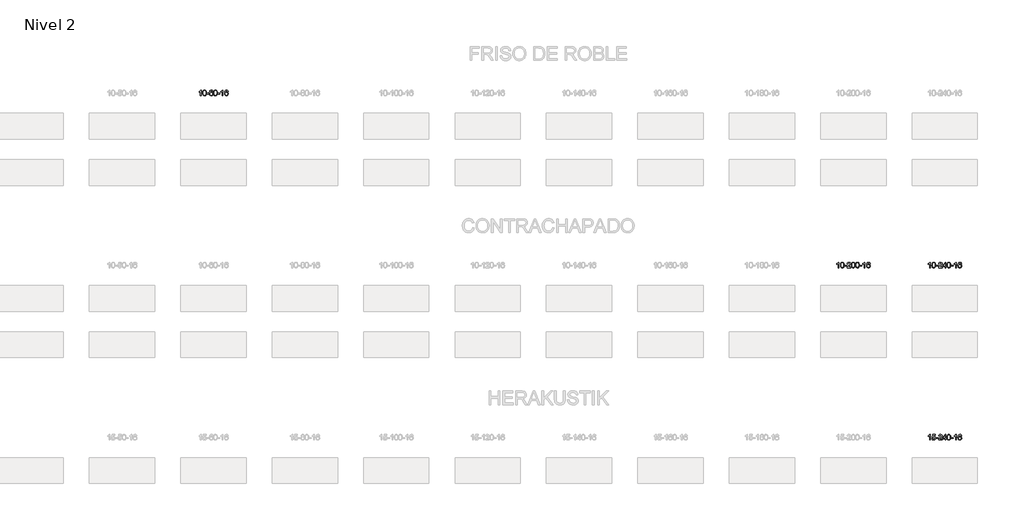
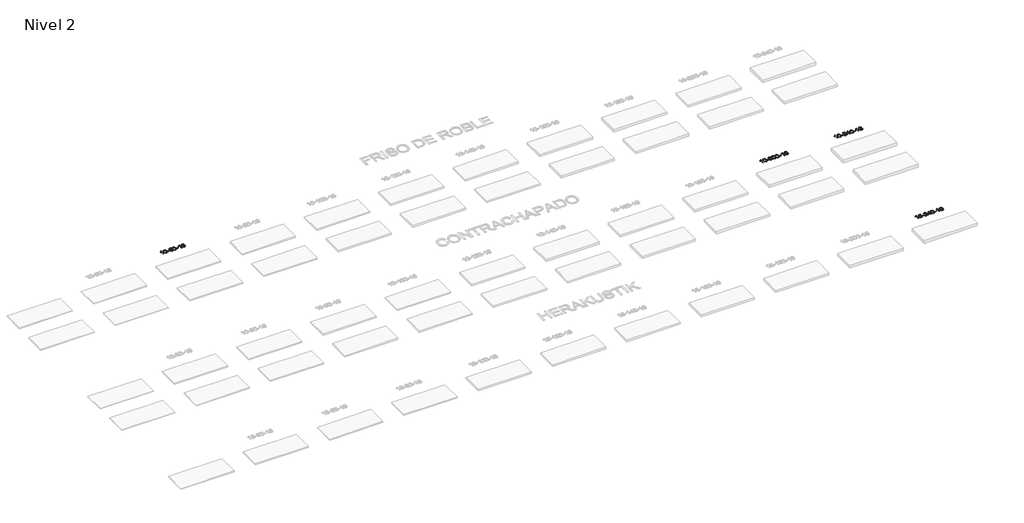
# One storey, part 38 of 51: 4 proxies.
"""IFC4 building model written with IfcOpenShell, lengths in millimetres."""

from ifc_helpers import new_model, si_unit, frame, origin, place, context, project, spatial, polyline, outline, extrude, element, save

model = new_model("IFC4")

# Units and contexts
model_context = context("Model", 3, world=origin())
ifc_project = project(units=[si_unit("LENGTHUNIT", "METRE", prefix="MILLI")], contexts=[model_context])

# Site, building, storey
site = spatial("IfcSite", under=ifc_project)
building = spatial("IfcBuilding", under=site)
storey = spatial("IfcBuildingStorey", under=building, Name="Nivel 2", Elevation=3000.0)

# Proxies
placement = place(None, origin())
element("IfcBuildingElementProxy", 1, Name="Texto de modelo 1", ObjectType="Texto de modelo 1", at=placement, inside=storey, context=model_context, shape_type="SweptSolid", body=[
    extrude(outline(polyline([(4824.6154698, -51771.9246439), (4774.3873148, -51771.9246439), (4774.3873148, -51458.7834896), (4753.418041, -51475.7428496), (4726.80791, -51492.6776841), (4673.9310046, -51518.0370163), (4673.9310046, -51470.5557135), (4713.3802172, -51449.0959304), (4747.5564546, -51423.56492), (4774.4976794, -51396.4152287), (4792.2418543, -51370.0994033), (4824.6154698, -51370.0994033), (4824.6154698, -51771.9246439)])), frame((0.0, 0.0, 3000.0), z_axis=(0.0, 0.0, 1.0), x_axis=(1.0, 0.0, 0.0)), (0.0, 0.0, 1.0), 10.0),
    extrude(outline(polyline([(4943.9073381, -51574.2493852), (4947.5984208, -51509.9313497), (4958.6716689, -51458.6363368), (4977.0167177, -51419.5795317), (4988.8747807, -51404.3461514), (5002.5232027, -51391.9761193), (5018.007969, -51382.4050561), (5035.3750649, -51375.5685823), (5075.7562452, -51370.0994033), (5106.7073837, -51373.3367649), (5134.4211607, -51383.0488496), (5157.5977264, -51398.8555126), (5174.9372311, -51420.3766093), (5188.0338301, -51447.4281987), (5198.4816788, -51479.8263398), (5205.3242839, -51520.9678096), (5207.6051523, -51574.2493852), (5203.9508578, -51638.1995387), (5192.9879743, -51689.3719242), (5174.7532901, -51728.4655176), (5162.9228183, -51743.7448831), (5149.2835933, -51756.1792945), (5133.7804329, -51765.8147371), (5116.3581547, -51772.6971961), (5075.7562452, -51778.2031633), (5048.0915192, -51775.8119304), (5023.5660528, -51768.6382314), (5002.1798462, -51756.6820666), (4983.9328992, -51739.9434358), (4966.4217162, -51709.6851417), (4953.9137284, -51671.9833686), (4946.4089357, -51626.8381164), (4943.9073381, -51574.2493852)]), holes=[polyline([(4994.1354932, -51574.1512833), (4995.6070212, -51617.8158105), (5000.0216051, -51653.1600732), (5007.379245, -51680.1840714), (5017.6799409, -51698.8878052), (5030.1388778, -51711.6134565), (5043.9712408, -51720.7032075), (5059.17703, -51726.1570581), (5075.7562452, -51727.9750082), (5092.3354605, -51726.1509267), (5107.5412496, -51720.678682), (5121.3736126, -51711.5582742), (5133.8325495, -51698.7897033), (5144.1332454, -51680.0553127), (5151.4908853, -51653.0374458), (5155.9054692, -51617.7361027), (5157.3769972, -51574.1512833), (5155.9545202, -51531.6425188), (5151.687089, -51496.9205898), (5144.5747038, -51469.9854964), (5134.6173644, -51450.8372385), (5122.366894, -51437.4892535), (5108.3751154, -51427.9549784), (5092.6420288, -51422.2344134), (5075.167634, -51420.3275584), (5058.6742579, -51422.0075529), (5043.7259862, -51427.0475362), (5030.3228188, -51435.4475084), (5018.4647558, -51447.2074695), (5007.8207034, -51468.0541159), (5000.2178089, -51496.1603004), (4995.6560721, -51531.5260228), (4994.1354932, -51574.1512833)])]), frame((0.0, 0.0, 3000.0), z_axis=(0.0, 0.0, 1.0), x_axis=(1.0, 0.0, 0.0)), (0.0, 0.0, 1.0), 10.0),
    extrude(outline(polyline([(5238.9977492, -51652.6327756), (5238.9977492, -51602.4046206), (5395.9607338, -51602.4046206), (5395.9607338, -51652.6327756), (5238.9977492, -51652.6327756)])), frame((0.0, 0.0, 3000.0), z_axis=(0.0, 0.0, 1.0), x_axis=(1.0, 0.0, 0.0)), (0.0, 0.0, 1.0), 10.0),
    extrude(outline(polyline([(5697.3296643, -51476.8342329), (5647.1015092, -51483.1127523), (5639.0081053, -51458.2194039), (5628.0697473, -51441.2232557), (5605.2855891, -51425.5514827), (5577.7434904, -51420.3275584), (5554.3952464, -51423.3687162), (5532.4204286, -51432.4921897), (5513.5480822, -51451.7078926), (5498.1338266, -51478.1586081), (5487.7227661, -51515.572207), (5483.8600052, -51567.6765602), (5504.0076758, -51544.1689007), (5528.1529974, -51527.6019482), (5554.9470694, -51517.7794989), (5583.0409911, -51514.5053492), (5607.17405, -51516.743298), (5629.4431734, -51523.4571444), (5649.8483614, -51534.6468884), (5668.389614, -51550.31253), (5683.7977382, -51569.5221016), (5694.8035412, -51591.3436352), (5701.407023, -51615.7771311), (5703.6081836, -51642.8225891), (5699.4633798, -51678.7891855), (5687.0289684, -51712.131557), (5667.3350189, -51740.4094197), (5641.411601, -51761.1824897), (5610.435937, -51773.9479949), (5575.5852493, -51778.2031633), (5545.6427206, -51775.3827347), (5518.6003283, -51766.9214488), (5494.4580723, -51752.8193057), (5473.2159528, -51733.0763052), (5455.8979079, -51706.8585817), (5443.5278758, -51673.3322692), (5436.1058565, -51632.4973678), (5433.6318501, -51584.3538773), (5436.3787023, -51530.3794573), (5444.619259, -51484.3145001), (5458.3535202, -51446.1590058), (5477.5814858, -51415.9129745), (5498.4220008, -51395.8695371), (5522.5857165, -51381.5527961), (5550.072633, -51372.9627515), (5580.88275, -51370.0994033), (5604.0163962, -51371.8713683), (5624.9550131, -51377.1872631), (5643.6986007, -51386.0470878), (5660.2471591, -51398.4508424), (5674.1530986, -51413.981594), (5684.9688292, -51432.2224096), (5692.6943511, -51453.1732892), (5697.3296643, -51476.8342329)]), holes=[polyline([(5483.8600052, -51642.0377742), (5486.7662729, -51664.2946349), (5495.4850762, -51685.5459515), (5509.0231337, -51703.8174239), (5526.3871638, -51717.1347521), (5547.3441748, -51725.2649442), (5571.6611747, -51727.9750082), (5604.8073425, -51722.3586765), (5618.7224789, -51715.3382617), (5630.8656505, -51705.5096811), (5640.7156909, -51693.2714734), (5647.751434, -51679.0221774), (5653.3800286, -51644.4903208), (5647.8250104, -51611.344153), (5640.8812378, -51597.7233222), (5631.1599561, -51586.07066), (5618.9799963, -51576.7356543), (5604.6601897, -51570.0677932), (5569.6010355, -51564.7335043), (5536.5039187, -51570.0677932), (5508.8269299, -51586.07066), (5497.9039004, -51597.570038), (5490.1017364, -51610.7310164), (5485.420438, -51625.5535951), (5483.8600052, -51642.0377742)])]), frame((0.0, 0.0, 3000.0), z_axis=(0.0, 0.0, 1.0), x_axis=(1.0, 0.0, 0.0)), (0.0, 0.0, 1.0), 10.0),
    extrude(outline(polyline([(5747.5578193, -51574.2493852), (5751.248902, -51509.9313497), (5762.3221501, -51458.6363368), (5780.6671989, -51419.5795317), (5792.5252619, -51404.3461514), (5806.1736839, -51391.9761193), (5821.6584502, -51382.4050561), (5839.0255461, -51375.5685823), (5879.4067264, -51370.0994033), (5910.3578649, -51373.3367649), (5938.0716419, -51383.0488496), (5961.2482076, -51398.8555126), (5978.5877123, -51420.3766093), (5991.6843113, -51447.4281987), (6002.13216, -51479.8263398), (6008.9747651, -51520.9678096), (6011.2556335, -51574.2493852), (6007.601339, -51638.1995387), (5996.6384555, -51689.3719242), (5978.4037713, -51728.4655176), (5966.5732995, -51743.7448831), (5952.9340745, -51756.1792945), (5937.4309141, -51765.8147371), (5920.0086359, -51772.6971961), (5879.4067264, -51778.2031633), (5851.7420004, -51775.8119304), (5827.216534, -51768.6382314), (5805.8303274, -51756.6820666), (5787.5833804, -51739.9434358), (5770.0721974, -51709.6851417), (5757.5642096, -51671.9833686), (5750.0594169, -51626.8381164), (5747.5578193, -51574.2493852)]), holes=[polyline([(5797.7859744, -51574.1512833), (5799.2575024, -51617.8158105), (5803.6720863, -51653.1600732), (5811.0297262, -51680.1840714), (5821.3304221, -51698.8878052), (5833.789359, -51711.6134565), (5847.621722, -51720.7032075), (5862.8275112, -51726.1570581), (5879.4067264, -51727.9750082), (5895.9859417, -51726.1509267), (5911.1917308, -51720.678682), (5925.0240938, -51711.5582742), (5937.4830307, -51698.7897033), (5947.7837266, -51680.0553127), (5955.1413665, -51653.0374458), (5959.5559504, -51617.7361027), (5961.0274784, -51574.1512833), (5959.6050013, -51531.6425188), (5955.3375702, -51496.9205898), (5948.225185, -51469.9854964), (5938.2678456, -51450.8372385), (5926.0173752, -51437.4892535), (5912.0255966, -51427.9549784), (5896.29251, -51422.2344134), (5878.8181152, -51420.3275584), (5862.3247391, -51422.0075529), (5847.3764674, -51427.0475362), (5833.9733, -51435.4475084), (5822.115237, -51447.2074695), (5811.4711846, -51468.0541159), (5803.8682901, -51496.1603004), (5799.3065533, -51531.5260228), (5797.7859744, -51574.1512833)])]), frame((0.0, 0.0, 3000.0), z_axis=(0.0, 0.0, 1.0), x_axis=(1.0, 0.0, 0.0)), (0.0, 0.0, 1.0), 10.0),
    extrude(outline(polyline([(6042.6482304, -51652.6327756), (6042.6482304, -51602.4046206), (6199.611215, -51602.4046206), (6199.611215, -51652.6327756), (6042.6482304, -51652.6327756)])), frame((0.0, 0.0, 3000.0), z_axis=(0.0, 0.0, 1.0), x_axis=(1.0, 0.0, 0.0)), (0.0, 0.0, 1.0), 10.0),
    extrude(outline(polyline([(6431.9164322, -51771.9246439), (6381.6882771, -51771.9246439), (6381.6882771, -51458.7834896), (6360.7190034, -51475.7428496), (6334.1088724, -51492.6776841), (6281.231967, -51518.0370163), (6281.231967, -51470.5557135), (6320.6811796, -51449.0959304), (6354.857417, -51423.56492), (6381.7986417, -51396.4152287), (6399.5428166, -51370.0994033), (6431.9164322, -51370.0994033), (6431.9164322, -51771.9246439)])), frame((0.0, 0.0, 3000.0), z_axis=(0.0, 0.0, 1.0), x_axis=(1.0, 0.0, 0.0)), (0.0, 0.0, 1.0), 10.0),
    extrude(outline(polyline([(6808.6275953, -51476.8342329), (6758.3994402, -51483.1127523), (6750.3060363, -51458.2194039), (6739.3676783, -51441.2232557), (6716.5835201, -51425.5514827), (6689.0414214, -51420.3275584), (6665.6931774, -51423.3687162), (6643.7183596, -51432.4921897), (6624.8460132, -51451.7078926), (6609.4317576, -51478.1586081), (6599.0206972, -51515.572207), (6595.1579362, -51567.6765602), (6615.3056068, -51544.1689007), (6639.4509284, -51527.6019482), (6666.2450004, -51517.7794989), (6694.3389221, -51514.5053492), (6718.471981, -51516.743298), (6740.7411044, -51523.4571444), (6761.1462924, -51534.6468884), (6779.687545, -51550.31253), (6795.0956692, -51569.5221016), (6806.1014723, -51591.3436352), (6812.7049541, -51615.7771311), (6814.9061147, -51642.8225891), (6810.7613109, -51678.7891855), (6798.3268994, -51712.131557), (6778.6329499, -51740.4094197), (6752.709532, -51761.1824897), (6721.733868, -51773.9479949), (6686.8831803, -51778.2031633), (6656.9406516, -51775.3827347), (6629.8982593, -51766.9214488), (6605.7560034, -51752.8193057), (6584.5138838, -51733.0763052), (6567.1958389, -51706.8585817), (6554.8258068, -51673.3322692), (6547.4037876, -51632.4973678), (6544.9297811, -51584.3538773), (6547.6766334, -51530.3794573), (6555.9171901, -51484.3145001), (6569.6514512, -51446.1590058), (6588.8794168, -51415.9129745), (6609.7199319, -51395.8695371), (6633.8836476, -51381.5527961), (6661.370564, -51372.9627515), (6692.1806811, -51370.0994033), (6715.3143272, -51371.8713683), (6736.2529441, -51377.1872631), (6754.9965318, -51386.0470878), (6771.5450902, -51398.4508424), (6785.4510296, -51413.981594), (6796.2667602, -51432.2224096), (6803.9922821, -51453.1732892), (6808.6275953, -51476.8342329)]), holes=[polyline([(6595.1579362, -51642.0377742), (6598.064204, -51664.2946349), (6606.7830073, -51685.5459515), (6620.3210647, -51703.8174239), (6637.6850949, -51717.1347521), (6658.6421059, -51725.2649442), (6682.9591057, -51727.9750082), (6716.1052735, -51722.3586765), (6730.02041, -51715.3382617), (6742.1635815, -51705.5096811), (6752.0136219, -51693.2714734), (6759.0493651, -51679.0221774), (6764.6779596, -51644.4903208), (6759.1229415, -51611.344153), (6752.1791688, -51597.7233222), (6742.4578871, -51586.07066), (6730.2779274, -51576.7356543), (6715.9581207, -51570.0677932), (6680.8989666, -51564.7335043), (6647.8018497, -51570.0677932), (6620.124861, -51586.07066), (6609.2018314, -51597.570038), (6601.3996674, -51610.7310164), (6596.718369, -51625.5535951), (6595.1579362, -51642.0377742)])]), frame((0.0, 0.0, 3000.0), z_axis=(0.0, 0.0, 1.0), x_axis=(1.0, 0.0, 0.0)), (0.0, 0.0, 1.0), 10.0),
])
element("IfcBuildingElementProxy", 2, Name="Texto de modelo 1", ObjectType="Texto de modelo 1", at=placement, inside=storey, context=model_context, shape_type="SweptSolid", body=[
    extrude(outline(polyline([(51675.3754887, -64430.3053468), (51625.1473336, -64430.3053468), (51625.1473336, -64117.1641925), (51604.1780599, -64134.1235525), (51577.5679289, -64151.058387), (51524.6910235, -64176.4177192), (51524.6910235, -64128.9364164), (51564.1402361, -64107.4766333), (51598.3164734, -64081.9456229), (51625.2576982, -64054.7959316), (51643.0018731, -64028.4801062), (51675.3754887, -64028.4801062), (51675.3754887, -64430.3053468)])), frame((0.0, 0.0, 3000.0), z_axis=(0.0, 0.0, 1.0), x_axis=(1.0, 0.0, 0.0)), (0.0, 0.0, 1.0), 10.0),
    extrude(outline(polyline([(51794.667357, -64232.6300881), (51798.3584397, -64168.3120526), (51809.4316877, -64117.0170397), (51827.7767366, -64077.9602346), (51839.6347995, -64062.7268543), (51853.2832216, -64050.3568222), (51868.7679879, -64040.785759), (51886.1350837, -64033.9492852), (51926.5162641, -64028.4801062), (51957.4674026, -64031.7174678), (51985.1811796, -64041.4295525), (52008.3577453, -64057.2362155), (52025.69725, -64078.7573122), (52038.793849, -64105.8089016), (52049.2416976, -64138.2070427), (52056.0843028, -64179.3485125), (52058.3651711, -64232.6300881), (52054.7108766, -64296.5802416), (52043.7479932, -64347.7526271), (52025.513309, -64386.8462205), (52013.6828371, -64402.125586), (52000.0436122, -64414.5599974), (51984.5404517, -64424.19544), (51967.1181736, -64431.077899), (51926.5162641, -64436.5838662), (51898.851538, -64434.1926333), (51874.3260717, -64427.0189343), (51852.939865, -64415.0627695), (51834.6929181, -64398.3241387), (51817.1817351, -64368.0658446), (51804.6737473, -64330.3640715), (51797.1689546, -64285.2188193), (51794.667357, -64232.6300881)]), holes=[polyline([(51844.8955121, -64232.5319862), (51846.36704, -64276.1965134), (51850.781624, -64311.5407761), (51858.1392639, -64338.5647743), (51868.4399598, -64357.2685081), (51880.8988967, -64369.9941594), (51894.7312597, -64379.0839104), (51909.9370488, -64384.537761), (51926.5162641, -64386.3557111), (51943.0954793, -64384.5316296), (51958.3012684, -64379.0593849), (51972.1336315, -64369.9389771), (51984.5925684, -64357.1704062), (51994.8932642, -64338.4360156), (52002.2509041, -64311.4181487), (52006.6654881, -64276.1168056), (52008.1370161, -64232.5319862), (52006.714539, -64190.0232217), (52002.4471079, -64155.3012927), (51995.3347226, -64128.3661993), (51985.3773833, -64109.2179414), (51973.1269128, -64095.8699564), (51959.1351343, -64086.3356813), (51943.4020476, -64080.6151163), (51925.9276529, -64078.7082613), (51909.4342767, -64080.3882558), (51894.486005, -64085.4282391), (51881.0828377, -64093.8282113), (51869.2247747, -64105.5881724), (51858.5807223, -64126.4348188), (51850.9778277, -64154.5410033), (51846.416091, -64189.9067257), (51844.8955121, -64232.5319862)])]), frame((0.0, 0.0, 3000.0), z_axis=(0.0, 0.0, 1.0), x_axis=(1.0, 0.0, 0.0)), (0.0, 0.0, 1.0), 10.0),
    extrude(outline(polyline([(52089.7577681, -64311.0134785), (52089.7577681, -64260.7853235), (52246.7207527, -64260.7853235), (52246.7207527, -64311.0134785), (52089.7577681, -64311.0134785)])), frame((0.0, 0.0, 3000.0), z_axis=(0.0, 0.0, 1.0), x_axis=(1.0, 0.0, 0.0)), (0.0, 0.0, 1.0), 10.0),
    extrude(outline(polyline([(52548.0896831, -64380.0771918), (52548.0896831, -64430.3053468), (52284.391869, -64430.3053468), (52285.495515, -64412.6224856), (52289.7874716, -64395.6753884), (52302.1728321, -64368.6115362), (52320.2971517, -64342.3570245), (52346.5148752, -64314.8762395), (52383.1804474, -64284.1335674), (52437.381728, -64235.990077), (52469.9024964, -64200.4526763), (52486.1628806, -64171.6107278), (52491.5830087, -64143.5535943), (52486.4694489, -64118.4027286), (52471.1287697, -64097.4947685), (52447.5475338, -64083.4048881), (52417.712304, -64078.7082613), (52386.3810208, -64083.2945235), (52362.0394954, -64097.0533101), (52346.3309342, -64118.9055007), (52340.8985434, -64147.7719745), (52290.6703884, -64141.4934552), (52294.9899361, -64115.5639059), (52302.8472824, -64092.9085063), (52314.2424272, -64073.5272565), (52329.1753705, -64057.4201565), (52347.3027558, -64044.7588845), (52368.2812266, -64035.7151188), (52392.1107828, -64030.2888594), (52418.7914245, -64028.4801062), (52445.7111895, -64030.4911945), (52469.6695045, -64036.5244592), (52490.6663693, -64046.5799004), (52508.7017842, -64060.6575181), (52523.1871377, -64077.7149799), (52533.5338188, -64096.7099536), (52539.7418275, -64117.6424391), (52541.8111637, -64140.5124365), (52539.5793463, -64164.5351308), (52532.883894, -64188.1408921), (52521.0013055, -64212.1513237), (52503.2080797, -64237.3880286), (52474.8443779, -64267.517564), (52431.2503614, -64306.2064871), (52373.4683627, -64354.5216558), (52350.8068318, -64380.0771918), (52548.0896831, -64380.0771918)])), frame((0.0, 0.0, 3000.0), z_axis=(0.0, 0.0, 1.0), x_axis=(1.0, 0.0, 0.0)), (0.0, 0.0, 1.0), 10.0),
    extrude(outline(polyline([(52598.3178382, -64232.6300881), (52602.0089209, -64168.3120526), (52613.0821689, -64117.0170397), (52631.4272177, -64077.9602346), (52643.2852807, -64062.7268543), (52656.9337027, -64050.3568222), (52672.4184691, -64040.785759), (52689.7855649, -64033.9492852), (52730.1667453, -64028.4801062), (52761.1178838, -64031.7174678), (52788.8316608, -64041.4295525), (52812.0082264, -64057.2362155), (52829.3477312, -64078.7573122), (52842.4443302, -64105.8089016), (52852.8921788, -64138.2070427), (52859.734784, -64179.3485125), (52862.0156523, -64232.6300881), (52858.3613578, -64296.5802416), (52847.3984744, -64347.7526271), (52829.1637902, -64386.8462205), (52817.3333183, -64402.125586), (52803.6940934, -64414.5599974), (52788.1909329, -64424.19544), (52770.7686548, -64431.077899), (52730.1667453, -64436.5838662), (52702.5020192, -64434.1926333), (52677.9765529, -64427.0189343), (52656.5903462, -64415.0627695), (52638.3433993, -64398.3241387), (52620.8322163, -64368.0658446), (52608.3242285, -64330.3640715), (52600.8194358, -64285.2188193), (52598.3178382, -64232.6300881)]), holes=[polyline([(52648.5459933, -64232.5319862), (52650.0175212, -64276.1965134), (52654.4321052, -64311.5407761), (52661.7897451, -64338.5647743), (52672.090441, -64357.2685081), (52684.5493779, -64369.9941594), (52698.3817409, -64379.0839104), (52713.58753, -64384.537761), (52730.1667453, -64386.3557111), (52746.7459605, -64384.5316296), (52761.9517496, -64379.0593849), (52775.7841127, -64369.9389771), (52788.2430496, -64357.1704062), (52798.5437454, -64338.4360156), (52805.9013853, -64311.4181487), (52810.3159693, -64276.1168056), (52811.7874973, -64232.5319862), (52810.3650202, -64190.0232217), (52806.0975891, -64155.3012927), (52798.9852038, -64128.3661993), (52789.0278645, -64109.2179414), (52776.777394, -64095.8699564), (52762.7856155, -64086.3356813), (52747.0525288, -64080.6151163), (52729.5781341, -64078.7082613), (52713.0847579, -64080.3882558), (52698.1364862, -64085.4282391), (52684.7333189, -64093.8282113), (52672.8752559, -64105.5881724), (52662.2312035, -64126.4348188), (52654.6283089, -64154.5410033), (52650.0665722, -64189.9067257), (52648.5459933, -64232.5319862)])]), frame((0.0, 0.0, 3000.0), z_axis=(0.0, 0.0, 1.0), x_axis=(1.0, 0.0, 0.0)), (0.0, 0.0, 1.0), 10.0),
    extrude(outline(polyline([(52905.965288, -64232.6300881), (52909.6563707, -64168.3120526), (52920.7296188, -64117.0170397), (52939.0746676, -64077.9602346), (52950.9327306, -64062.7268543), (52964.5811526, -64050.3568222), (52980.0659189, -64040.785759), (52997.4330148, -64033.9492852), (53037.8141951, -64028.4801062), (53068.7653336, -64031.7174678), (53096.4791106, -64041.4295525), (53119.6556763, -64057.2362155), (53136.995181, -64078.7573122), (53150.09178, -64105.8089016), (53160.5396287, -64138.2070427), (53167.3822338, -64179.3485125), (53169.6631022, -64232.6300881), (53166.0088077, -64296.5802416), (53155.0459242, -64347.7526271), (53136.81124, -64386.8462205), (53124.9807682, -64402.125586), (53111.3415432, -64414.5599974), (53095.8383828, -64424.19544), (53078.4161046, -64431.077899), (53037.8141951, -64436.5838662), (53010.1494691, -64434.1926333), (52985.6240027, -64427.0189343), (52964.2377961, -64415.0627695), (52945.9908491, -64398.3241387), (52928.4796661, -64368.0658446), (52915.9716783, -64330.3640715), (52908.4668856, -64285.2188193), (52905.965288, -64232.6300881)]), holes=[polyline([(52956.1934431, -64232.5319862), (52957.6649711, -64276.1965134), (52962.079555, -64311.5407761), (52969.4371949, -64338.5647743), (52979.7378908, -64357.2685081), (52992.1968277, -64369.9941594), (53006.0291907, -64379.0839104), (53021.2349798, -64384.537761), (53037.8141951, -64386.3557111), (53054.3934103, -64384.5316296), (53069.5991995, -64379.0593849), (53083.4315625, -64369.9389771), (53095.8904994, -64357.1704062), (53106.1911953, -64338.4360156), (53113.5488352, -64311.4181487), (53117.9634191, -64276.1168056), (53119.4349471, -64232.5319862), (53118.01247, -64190.0232217), (53113.7450389, -64155.3012927), (53106.6326537, -64128.3661993), (53096.6753143, -64109.2179414), (53084.4248439, -64095.8699564), (53070.4330653, -64086.3356813), (53054.6999787, -64080.6151163), (53037.2255839, -64078.7082613), (53020.7322078, -64080.3882558), (53005.783936, -64085.4282391), (52992.3807687, -64093.8282113), (52980.5227057, -64105.5881724), (52969.8786533, -64126.4348188), (52962.2757587, -64154.5410033), (52957.714022, -64189.9067257), (52956.1934431, -64232.5319862)])]), frame((0.0, 0.0, 3000.0), z_axis=(0.0, 0.0, 1.0), x_axis=(1.0, 0.0, 0.0)), (0.0, 0.0, 1.0), 10.0),
    extrude(outline(polyline([(53201.0556991, -64311.0134785), (53201.0556991, -64260.7853235), (53358.0186837, -64260.7853235), (53358.0186837, -64311.0134785), (53201.0556991, -64311.0134785)])), frame((0.0, 0.0, 3000.0), z_axis=(0.0, 0.0, 1.0), x_axis=(1.0, 0.0, 0.0)), (0.0, 0.0, 1.0), 10.0),
    extrude(outline(polyline([(53590.3239009, -64430.3053468), (53540.0957458, -64430.3053468), (53540.0957458, -64117.1641925), (53519.1264721, -64134.1235525), (53492.5163411, -64151.058387), (53439.6394357, -64176.4177192), (53439.6394357, -64128.9364164), (53479.0886483, -64107.4766333), (53513.2648857, -64081.9456229), (53540.2061104, -64054.7959316), (53557.9502853, -64028.4801062), (53590.3239009, -64028.4801062), (53590.3239009, -64430.3053468)])), frame((0.0, 0.0, 3000.0), z_axis=(0.0, 0.0, 1.0), x_axis=(1.0, 0.0, 0.0)), (0.0, 0.0, 1.0), 10.0),
    extrude(outline(polyline([(53967.035064, -64135.2149358), (53916.8069089, -64141.4934552), (53908.713505, -64116.6001068), (53897.775147, -64099.6039586), (53874.9909888, -64083.9321856), (53847.4488901, -64078.7082613), (53824.1006461, -64081.7494191), (53802.1258283, -64090.8728926), (53783.2534819, -64110.0885955), (53767.8392263, -64136.539311), (53757.4281659, -64173.9529099), (53753.5654049, -64226.0572631), (53773.7130755, -64202.5496036), (53797.8583971, -64185.9826511), (53824.6524691, -64176.1602018), (53852.7463908, -64172.8860521), (53876.8794497, -64175.1240009), (53899.1485731, -64181.8378473), (53919.5537611, -64193.0275913), (53938.0950137, -64208.6932329), (53953.5031379, -64227.9028045), (53964.5089409, -64249.7243381), (53971.1124228, -64274.157834), (53973.3135834, -64301.203292), (53969.1687795, -64337.1698884), (53956.7343681, -64370.5122599), (53937.0404186, -64398.7901226), (53911.1170007, -64419.5631926), (53880.1413367, -64432.3286978), (53845.290649, -64436.5838662), (53815.3481203, -64433.7634376), (53788.305728, -64425.3021517), (53764.163472, -64411.2000086), (53742.9213525, -64391.4570081), (53725.6033076, -64365.2392846), (53713.2332755, -64331.7129721), (53705.8112562, -64290.8780707), (53703.3372498, -64242.7345802), (53706.0841021, -64188.7601602), (53714.3246588, -64142.695203), (53728.0589199, -64104.5397087), (53747.2868855, -64074.2936774), (53768.1274005, -64054.25024), (53792.2911163, -64039.933499), (53819.7780327, -64031.3434544), (53850.5881498, -64028.4801062), (53873.7217959, -64030.2520712), (53894.6604128, -64035.567966), (53913.4040004, -64044.4277907), (53929.9525589, -64056.8315453), (53943.8584983, -64072.3622969), (53954.6742289, -64090.6031125), (53962.3997508, -64111.5539921), (53967.035064, -64135.2149358)]), holes=[polyline([(53753.5654049, -64300.4184771), (53756.4716727, -64322.6753378), (53765.190476, -64343.9266544), (53778.7285334, -64362.1981268), (53796.0925635, -64375.515455), (53817.0495745, -64383.6456471), (53841.3665744, -64386.3557111), (53874.5127422, -64380.7393794), (53888.4278787, -64373.7189646), (53900.5710502, -64363.890384), (53910.4210906, -64351.6521763), (53917.4568338, -64337.4028803), (53923.0854283, -64302.8710237), (53917.5304102, -64269.7248559), (53910.5866375, -64256.1040251), (53900.8653558, -64244.4513629), (53888.685396, -64235.1163572), (53874.3655894, -64228.4484961), (53839.3064352, -64223.1142072), (53806.2093184, -64228.4484961), (53778.5323296, -64244.4513629), (53767.6093001, -64255.9507409), (53759.8071361, -64269.1117193), (53755.1258377, -64283.934298), (53753.5654049, -64300.4184771)])]), frame((0.0, 0.0, 3000.0), z_axis=(0.0, 0.0, 1.0), x_axis=(1.0, 0.0, 0.0)), (0.0, 0.0, 1.0), 10.0),
])
element("IfcBuildingElementProxy", 3, Name="Texto de modelo 1", ObjectType="Texto de modelo 1", at=placement, inside=storey, context=model_context, shape_type="SweptSolid", body=[
    extrude(outline(polyline([(58390.3160235, -64430.3053468), (58340.0878684, -64430.3053468), (58340.0878684, -64117.1641925), (58319.1185947, -64134.1235525), (58292.5084637, -64151.058387), (58239.6315583, -64176.4177192), (58239.6315583, -64128.9364164), (58279.0807709, -64107.4766333), (58313.2570083, -64081.9456229), (58340.198233, -64054.7959316), (58357.9424079, -64028.4801062), (58390.3160235, -64028.4801062), (58390.3160235, -64430.3053468)])), frame((0.0, 0.0, 3000.0), z_axis=(0.0, 0.0, 1.0), x_axis=(1.0, 0.0, 0.0)), (0.0, 0.0, 1.0), 10.0),
    extrude(outline(polyline([(58509.6078918, -64232.6300881), (58513.2989745, -64168.3120526), (58524.3722226, -64117.0170397), (58542.7172714, -64077.9602346), (58554.5753344, -64062.7268543), (58568.2237564, -64050.3568222), (58583.7085227, -64040.785759), (58601.0756185, -64033.9492852), (58641.4567989, -64028.4801062), (58672.4079374, -64031.7174678), (58700.1217144, -64041.4295525), (58723.2982801, -64057.2362155), (58740.6377848, -64078.7573122), (58753.7343838, -64105.8089016), (58764.1822325, -64138.2070427), (58771.0248376, -64179.3485125), (58773.305706, -64232.6300881), (58769.6514115, -64296.5802416), (58758.688528, -64347.7526271), (58740.4538438, -64386.8462205), (58728.623372, -64402.125586), (58714.984147, -64414.5599974), (58699.4809866, -64424.19544), (58682.0587084, -64431.077899), (58641.4567989, -64436.5838662), (58613.7920728, -64434.1926333), (58589.2666065, -64427.0189343), (58567.8803998, -64415.0627695), (58549.6334529, -64398.3241387), (58532.1222699, -64368.0658446), (58519.6142821, -64330.3640715), (58512.1094894, -64285.2188193), (58509.6078918, -64232.6300881)]), holes=[polyline([(58559.8360469, -64232.5319862), (58561.3075749, -64276.1965134), (58565.7221588, -64311.5407761), (58573.0797987, -64338.5647743), (58583.3804946, -64357.2685081), (58595.8394315, -64369.9941594), (58609.6717945, -64379.0839104), (58624.8775836, -64384.537761), (58641.4567989, -64386.3557111), (58658.0360141, -64384.5316296), (58673.2418033, -64379.0593849), (58687.0741663, -64369.9389771), (58699.5331032, -64357.1704062), (58709.8337991, -64338.4360156), (58717.191439, -64311.4181487), (58721.6060229, -64276.1168056), (58723.0775509, -64232.5319862), (58721.6550738, -64190.0232217), (58717.3876427, -64155.3012927), (58710.2752574, -64128.3661993), (58700.3179181, -64109.2179414), (58688.0674477, -64095.8699564), (58674.0756691, -64086.3356813), (58658.3425825, -64080.6151163), (58640.8681877, -64078.7082613), (58624.3748116, -64080.3882558), (58609.4265398, -64085.4282391), (58596.0233725, -64093.8282113), (58584.1653095, -64105.5881724), (58573.5212571, -64126.4348188), (58565.9183625, -64154.5410033), (58561.3566258, -64189.9067257), (58559.8360469, -64232.5319862)])]), frame((0.0, 0.0, 3000.0), z_axis=(0.0, 0.0, 1.0), x_axis=(1.0, 0.0, 0.0)), (0.0, 0.0, 1.0), 10.0),
    extrude(outline(polyline([(58804.6983029, -64311.0134785), (58804.6983029, -64260.7853235), (58961.6612875, -64260.7853235), (58961.6612875, -64311.0134785), (58804.6983029, -64311.0134785)])), frame((0.0, 0.0, 3000.0), z_axis=(0.0, 0.0, 1.0), x_axis=(1.0, 0.0, 0.0)), (0.0, 0.0, 1.0), 10.0),
    extrude(outline(polyline([(59263.0302179, -64380.0771918), (59263.0302179, -64430.3053468), (58999.3324038, -64430.3053468), (59000.4360498, -64412.6224856), (59004.7280064, -64395.6753884), (59017.1133669, -64368.6115362), (59035.2376865, -64342.3570245), (59061.45541, -64314.8762395), (59098.1209822, -64284.1335674), (59152.3222629, -64235.990077), (59184.8430312, -64200.4526763), (59201.1034154, -64171.6107278), (59206.5235435, -64143.5535943), (59201.4099837, -64118.4027286), (59186.0693045, -64097.4947685), (59162.4880687, -64083.4048881), (59132.6528388, -64078.7082613), (59101.3215556, -64083.2945235), (59076.9800302, -64097.0533101), (59061.271469, -64118.9055007), (59055.8390782, -64147.7719745), (59005.6109232, -64141.4934552), (59009.9304709, -64115.5639059), (59017.7878172, -64092.9085063), (59029.182962, -64073.5272565), (59044.1159053, -64057.4201565), (59062.2432906, -64044.7588845), (59083.2217614, -64035.7151188), (59107.0513177, -64030.2888594), (59133.7319594, -64028.4801062), (59160.6517244, -64030.4911945), (59184.6100393, -64036.5244592), (59205.6069042, -64046.5799004), (59223.642319, -64060.6575181), (59238.1276725, -64077.7149799), (59248.4743537, -64096.7099536), (59254.6823623, -64117.6424391), (59256.7516985, -64140.5124365), (59254.5198811, -64164.5351308), (59247.8244288, -64188.1408921), (59235.9418404, -64212.1513237), (59218.1486145, -64237.3880286), (59189.7849127, -64267.517564), (59146.1908963, -64306.2064871), (59088.4088976, -64354.5216558), (59065.7473667, -64380.0771918), (59263.0302179, -64380.0771918)])), frame((0.0, 0.0, 3000.0), z_axis=(0.0, 0.0, 1.0), x_axis=(1.0, 0.0, 0.0)), (0.0, 0.0, 1.0), 10.0),
    extrude(outline(polyline([(59476.499877, -64430.3053468), (59476.499877, -64336.1275561), (59294.4228149, -64336.1275561), (59294.4228149, -64285.899401), (59489.0569158, -64034.7586256), (59526.7280321, -64034.7586256), (59526.7280321, -64285.899401), (59576.9561872, -64285.899401), (59576.9561872, -64336.1275561), (59526.7280321, -64336.1275561), (59526.7280321, -64430.3053468), (59476.499877, -64430.3053468)]), holes=[polyline([(59476.499877, -64285.899401), (59476.499877, -64130.70225), (59356.22699, -64285.899401), (59476.499877, -64285.899401)])]), frame((0.0, 0.0, 3000.0), z_axis=(0.0, 0.0, 1.0), x_axis=(1.0, 0.0, 0.0)), (0.0, 0.0, 1.0), 10.0),
    extrude(outline(polyline([(59620.9058228, -64232.6300881), (59624.5969055, -64168.3120526), (59635.6701536, -64117.0170397), (59654.0152024, -64077.9602346), (59665.8732654, -64062.7268543), (59679.5216874, -64050.3568222), (59695.0064537, -64040.785759), (59712.3735496, -64033.9492852), (59752.7547299, -64028.4801062), (59783.7058684, -64031.7174678), (59811.4196454, -64041.4295525), (59834.5962111, -64057.2362155), (59851.9357158, -64078.7573122), (59865.0323148, -64105.8089016), (59875.4801635, -64138.2070427), (59882.3227686, -64179.3485125), (59884.603637, -64232.6300881), (59880.9493425, -64296.5802416), (59869.986459, -64347.7526271), (59851.7517748, -64386.8462205), (59839.921303, -64402.125586), (59826.282078, -64414.5599974), (59810.7789176, -64424.19544), (59793.3566394, -64431.077899), (59752.7547299, -64436.5838662), (59725.0900039, -64434.1926333), (59700.5645375, -64427.0189343), (59679.1783309, -64415.0627695), (59660.9313839, -64398.3241387), (59643.4202009, -64368.0658446), (59630.9122131, -64330.3640715), (59623.4074204, -64285.2188193), (59620.9058228, -64232.6300881)]), holes=[polyline([(59671.1339779, -64232.5319862), (59672.6055059, -64276.1965134), (59677.0200898, -64311.5407761), (59684.3777297, -64338.5647743), (59694.6784256, -64357.2685081), (59707.1373625, -64369.9941594), (59720.9697255, -64379.0839104), (59736.1755147, -64384.537761), (59752.7547299, -64386.3557111), (59769.3339452, -64384.5316296), (59784.5397343, -64379.0593849), (59798.3720973, -64369.9389771), (59810.8310342, -64357.1704062), (59821.1317301, -64338.4360156), (59828.48937, -64311.4181487), (59832.9039539, -64276.1168056), (59834.3754819, -64232.5319862), (59832.9530049, -64190.0232217), (59828.6855737, -64155.3012927), (59821.5731885, -64128.3661993), (59811.6158491, -64109.2179414), (59799.3653787, -64095.8699564), (59785.3736002, -64086.3356813), (59769.6405135, -64080.6151163), (59752.1661187, -64078.7082613), (59735.6727426, -64080.3882558), (59720.7244709, -64085.4282391), (59707.3213035, -64093.8282113), (59695.4632405, -64105.5881724), (59684.8191881, -64126.4348188), (59677.2162936, -64154.5410033), (59672.6545568, -64189.9067257), (59671.1339779, -64232.5319862)])]), frame((0.0, 0.0, 3000.0), z_axis=(0.0, 0.0, 1.0), x_axis=(1.0, 0.0, 0.0)), (0.0, 0.0, 1.0), 10.0),
    extrude(outline(polyline([(59915.9962339, -64311.0134785), (59915.9962339, -64260.7853235), (60072.9592185, -64260.7853235), (60072.9592185, -64311.0134785), (59915.9962339, -64311.0134785)])), frame((0.0, 0.0, 3000.0), z_axis=(0.0, 0.0, 1.0), x_axis=(1.0, 0.0, 0.0)), (0.0, 0.0, 1.0), 10.0),
    extrude(outline(polyline([(60305.2644357, -64430.3053468), (60255.0362807, -64430.3053468), (60255.0362807, -64117.1641925), (60234.0670069, -64134.1235525), (60207.456876, -64151.058387), (60154.5799705, -64176.4177192), (60154.5799705, -64128.9364164), (60194.0291831, -64107.4766333), (60228.2054205, -64081.9456229), (60255.1466453, -64054.7959316), (60272.8908202, -64028.4801062), (60305.2644357, -64028.4801062), (60305.2644357, -64430.3053468)])), frame((0.0, 0.0, 3000.0), z_axis=(0.0, 0.0, 1.0), x_axis=(1.0, 0.0, 0.0)), (0.0, 0.0, 1.0), 10.0),
    extrude(outline(polyline([(60681.9755988, -64135.2149358), (60631.7474437, -64141.4934552), (60623.6540398, -64116.6001068), (60612.7156818, -64099.6039586), (60589.9315236, -64083.9321856), (60562.3894249, -64078.7082613), (60539.0411809, -64081.7494191), (60517.0663631, -64090.8728926), (60498.1940167, -64110.0885955), (60482.7797611, -64136.539311), (60472.3687007, -64173.9529099), (60468.5059397, -64226.0572631), (60488.6536103, -64202.5496036), (60512.7989319, -64185.9826511), (60539.5930039, -64176.1602018), (60567.6869256, -64172.8860521), (60591.8199845, -64175.1240009), (60614.089108, -64181.8378473), (60634.494296, -64193.0275913), (60653.0355485, -64208.6932329), (60668.4436727, -64227.9028045), (60679.4494758, -64249.7243381), (60686.0529576, -64274.157834), (60688.2541182, -64301.203292), (60684.1093144, -64337.1698884), (60671.6749029, -64370.5122599), (60651.9809535, -64398.7901226), (60626.0575355, -64419.5631926), (60595.0818715, -64432.3286978), (60560.2311839, -64436.5838662), (60530.2886551, -64433.7634376), (60503.2462628, -64425.3021517), (60479.1040069, -64411.2000086), (60457.8618873, -64391.4570081), (60440.5438424, -64365.2392846), (60428.1738103, -64331.7129721), (60420.7517911, -64290.8780707), (60418.2777847, -64242.7345802), (60421.0246369, -64188.7601602), (60429.2651936, -64142.695203), (60442.9994547, -64104.5397087), (60462.2274203, -64074.2936774), (60483.0679354, -64054.25024), (60507.2316511, -64039.933499), (60534.7185675, -64031.3434544), (60565.5286846, -64028.4801062), (60588.6623307, -64030.2520712), (60609.6009476, -64035.567966), (60628.3445353, -64044.4277907), (60644.8930937, -64056.8315453), (60658.7990331, -64072.3622969), (60669.6147638, -64090.6031125), (60677.3402857, -64111.5539921), (60681.9755988, -64135.2149358)]), holes=[polyline([(60468.5059397, -64300.4184771), (60471.4122075, -64322.6753378), (60480.1310108, -64343.9266544), (60493.6690682, -64362.1981268), (60511.0330984, -64375.515455), (60531.9901094, -64383.6456471), (60556.3071092, -64386.3557111), (60589.453277, -64380.7393794), (60603.3684135, -64373.7189646), (60615.511585, -64363.890384), (60625.3616254, -64351.6521763), (60632.3973686, -64337.4028803), (60638.0259631, -64302.8710237), (60632.470945, -64269.7248559), (60625.5271723, -64256.1040251), (60615.8058906, -64244.4513629), (60603.6259309, -64235.1163572), (60589.3061242, -64228.4484961), (60554.2469701, -64223.1142072), (60521.1498532, -64228.4484961), (60493.4728645, -64244.4513629), (60482.5498349, -64255.9507409), (60474.7476709, -64269.1117193), (60470.0663725, -64283.934298), (60468.5059397, -64300.4184771)])]), frame((0.0, 0.0, 3000.0), z_axis=(0.0, 0.0, 1.0), x_axis=(1.0, 0.0, 0.0)), (0.0, 0.0, 1.0), 10.0),
])
element("IfcBuildingElementProxy", 4, Name="Texto de modelo 1", ObjectType="Texto de modelo 1", at=placement, inside=storey, context=model_context, shape_type="SweptSolid", body=[
    extrude(outline(polyline([(58390.3160235, -77088.6860497), (58340.0878684, -77088.6860497), (58340.0878684, -76775.5448954), (58319.1185947, -76792.5042554), (58292.5084637, -76809.4390899), (58239.6315583, -76834.7984221), (58239.6315583, -76787.3171193), (58279.0807709, -76765.8573362), (58313.2570083, -76740.3263258), (58340.198233, -76713.1766345), (58357.9424079, -76686.8608091), (58390.3160235, -76686.8608091), (58390.3160235, -77088.6860497)])), frame((0.0, 0.0, 3000.0), z_axis=(0.0, 0.0, 1.0), x_axis=(1.0, 0.0, 0.0)), (0.0, 0.0, 1.0), 10.0),
    extrude(outline(polyline([(58509.6078918, -76981.9512202), (58559.8360469, -76975.6727008), (58569.0576222, -77005.8267617), (58585.1463282, -77027.4214348), (58608.0285883, -77040.4076692), (58637.6308261, -77044.736414), (58656.7606899, -77043.2311636), (58673.6342107, -77038.7154121), (58688.2513887, -77031.1891596), (58700.6122237, -77020.6524061), (58710.4408043, -77007.6263178), (58717.4612191, -76992.6320608), (58723.0775509, -76956.7390408), (58717.8168383, -76922.9429482), (58711.2409477, -76909.024746), (58702.0347008, -76897.0931066), (58690.1674407, -76887.5220434), (58675.6085108, -76880.6855697), (58638.4156411, -76875.2163907), (58614.0495902, -76877.3991572), (58594.3188526, -76883.9474567), (58578.5612404, -76893.9783724), (58566.1145663, -76906.6089876), (58515.8864112, -76900.3304682), (58559.8360469, -76693.1393285), (58754.4701478, -76693.1393285), (58754.4701478, -76743.3674836), (58600.4502192, -76743.3674836), (58578.9659106, -76854.0263877), (58596.6916914, -76841.3221962), (58614.8466679, -76832.2477736), (58633.43084, -76826.8031201), (58652.4442078, -76824.9882356), (58676.9052948, -76827.2384471), (58699.3736877, -76833.9890817), (58719.8493864, -76845.2401394), (58738.3323909, -76860.9916202), (58753.6332163, -76880.2808995), (58764.5623772, -76902.1453527), (58771.1198738, -76926.5849799), (58773.305706, -76953.5997811), (58771.3375373, -76979.6213009), (58765.4330313, -77003.8279362), (58755.5921879, -77026.219687), (58741.8150072, -77046.7965532), (58720.9438353, -77067.8700602), (58696.5900472, -77082.9225651), (58668.7536429, -77091.9540681), (58637.4346224, -77094.9645691), (58611.5142702, -77093.030123), (58588.1016468, -77087.2267845), (58567.1967525, -77077.5545537), (58548.799587, -77064.0134306), (58533.4926303, -77047.2778655), (58521.8583623, -77028.0223087), (58513.8967827, -77006.2467603), (58509.6078918, -76981.9512202)])), frame((0.0, 0.0, 3000.0), z_axis=(0.0, 0.0, 1.0), x_axis=(1.0, 0.0, 0.0)), (0.0, 0.0, 1.0), 10.0),
    extrude(outline(polyline([(58804.6983029, -76969.3941814), (58804.6983029, -76919.1660264), (58961.6612875, -76919.1660264), (58961.6612875, -76969.3941814), (58804.6983029, -76969.3941814)])), frame((0.0, 0.0, 3000.0), z_axis=(0.0, 0.0, 1.0), x_axis=(1.0, 0.0, 0.0)), (0.0, 0.0, 1.0), 10.0),
    extrude(outline(polyline([(59263.0302179, -77038.4578947), (59263.0302179, -77088.6860497), (58999.3324038, -77088.6860497), (59000.4360498, -77071.0031885), (59004.7280064, -77054.0560913), (59017.1133669, -77026.9922391), (59035.2376865, -77000.7377274), (59061.45541, -76973.2569424), (59098.1209822, -76942.5142703), (59152.3222629, -76894.3707799), (59184.8430312, -76858.8333792), (59201.1034154, -76829.9914307), (59206.5235435, -76801.9342972), (59201.4099837, -76776.7834315), (59186.0693045, -76755.8754714), (59162.4880687, -76741.785591), (59132.6528388, -76737.0889642), (59101.3215556, -76741.6752264), (59076.9800302, -76755.434013), (59061.271469, -76777.2862036), (59055.8390782, -76806.1526774), (59005.6109232, -76799.8741581), (59009.9304709, -76773.9446088), (59017.7878172, -76751.2892092), (59029.182962, -76731.9079594), (59044.1159053, -76715.8008594), (59062.2432906, -76703.1395874), (59083.2217614, -76694.0958217), (59107.0513177, -76688.6695623), (59133.7319594, -76686.8608091), (59160.6517244, -76688.8718974), (59184.6100393, -76694.9051621), (59205.6069042, -76704.9606033), (59223.642319, -76719.038221), (59238.1276725, -76736.0956828), (59248.4743537, -76755.0906565), (59254.6823623, -76776.023142), (59256.7516985, -76798.8931394), (59254.5198811, -76822.9158337), (59247.8244288, -76846.521595), (59235.9418404, -76870.5320266), (59218.1486145, -76895.7687315), (59189.7849127, -76925.8982669), (59146.1908963, -76964.58719), (59088.4088976, -77012.9023587), (59065.7473667, -77038.4578947), (59263.0302179, -77038.4578947)])), frame((0.0, 0.0, 3000.0), z_axis=(0.0, 0.0, 1.0), x_axis=(1.0, 0.0, 0.0)), (0.0, 0.0, 1.0), 10.0),
    extrude(outline(polyline([(59476.499877, -77088.6860497), (59476.499877, -76994.508259), (59294.4228149, -76994.508259), (59294.4228149, -76944.2801039), (59489.0569158, -76693.1393285), (59526.7280321, -76693.1393285), (59526.7280321, -76944.2801039), (59576.9561872, -76944.2801039), (59576.9561872, -76994.508259), (59526.7280321, -76994.508259), (59526.7280321, -77088.6860497), (59476.499877, -77088.6860497)]), holes=[polyline([(59476.499877, -76944.2801039), (59476.499877, -76789.0829529), (59356.22699, -76944.2801039), (59476.499877, -76944.2801039)])]), frame((0.0, 0.0, 3000.0), z_axis=(0.0, 0.0, 1.0), x_axis=(1.0, 0.0, 0.0)), (0.0, 0.0, 1.0), 10.0),
    extrude(outline(polyline([(59620.9058228, -76891.010791), (59624.5969055, -76826.6927555), (59635.6701536, -76775.3977426), (59654.0152024, -76736.3409375), (59665.8732654, -76721.1075572), (59679.5216874, -76708.7375251), (59695.0064537, -76699.1664619), (59712.3735496, -76692.3299881), (59752.7547299, -76686.8608091), (59783.7058684, -76690.0981707), (59811.4196454, -76699.8102554), (59834.5962111, -76715.6169184), (59851.9357158, -76737.1380151), (59865.0323148, -76764.1896045), (59875.4801635, -76796.5877456), (59882.3227686, -76837.7292154), (59884.603637, -76891.010791), (59880.9493425, -76954.9609445), (59869.986459, -77006.13333), (59851.7517748, -77045.2269234), (59839.921303, -77060.5062889), (59826.282078, -77072.9407003), (59810.7789176, -77082.5761429), (59793.3566394, -77089.4586019), (59752.7547299, -77094.9645691), (59725.0900039, -77092.5733362), (59700.5645375, -77085.3996372), (59679.1783309, -77073.4434724), (59660.9313839, -77056.7048416), (59643.4202009, -77026.4465475), (59630.9122131, -76988.7447744), (59623.4074204, -76943.5995222), (59620.9058228, -76891.010791)]), holes=[polyline([(59671.1339779, -76890.9126891), (59672.6055059, -76934.5772163), (59677.0200898, -76969.921479), (59684.3777297, -76996.9454772), (59694.6784256, -77015.649211), (59707.1373625, -77028.3748623), (59720.9697255, -77037.4646133), (59736.1755147, -77042.9184639), (59752.7547299, -77044.736414), (59769.3339452, -77042.9123325), (59784.5397343, -77037.4400878), (59798.3720973, -77028.31968), (59810.8310342, -77015.5511091), (59821.1317301, -76996.8167185), (59828.48937, -76969.7988516), (59832.9039539, -76934.4975085), (59834.3754819, -76890.9126891), (59832.9530049, -76848.4039246), (59828.6855737, -76813.6819956), (59821.5731885, -76786.7469022), (59811.6158491, -76767.5986443), (59799.3653787, -76754.2506593), (59785.3736002, -76744.7163842), (59769.6405135, -76738.9958192), (59752.1661187, -76737.0889642), (59735.6727426, -76738.7689587), (59720.7244709, -76743.808942), (59707.3213035, -76752.2089142), (59695.4632405, -76763.9688753), (59684.8191881, -76784.8155217), (59677.2162936, -76812.9217062), (59672.6545568, -76848.2874286), (59671.1339779, -76890.9126891)])]), frame((0.0, 0.0, 3000.0), z_axis=(0.0, 0.0, 1.0), x_axis=(1.0, 0.0, 0.0)), (0.0, 0.0, 1.0), 10.0),
    extrude(outline(polyline([(59915.9962339, -76969.3941814), (59915.9962339, -76919.1660264), (60072.9592185, -76919.1660264), (60072.9592185, -76969.3941814), (59915.9962339, -76969.3941814)])), frame((0.0, 0.0, 3000.0), z_axis=(0.0, 0.0, 1.0), x_axis=(1.0, 0.0, 0.0)), (0.0, 0.0, 1.0), 10.0),
    extrude(outline(polyline([(60305.2644357, -77088.6860497), (60255.0362807, -77088.6860497), (60255.0362807, -76775.5448954), (60234.0670069, -76792.5042554), (60207.456876, -76809.4390899), (60154.5799705, -76834.7984221), (60154.5799705, -76787.3171193), (60194.0291831, -76765.8573362), (60228.2054205, -76740.3263258), (60255.1466453, -76713.1766345), (60272.8908202, -76686.8608091), (60305.2644357, -76686.8608091), (60305.2644357, -77088.6860497)])), frame((0.0, 0.0, 3000.0), z_axis=(0.0, 0.0, 1.0), x_axis=(1.0, 0.0, 0.0)), (0.0, 0.0, 1.0), 10.0),
    extrude(outline(polyline([(60681.9755988, -76793.5956387), (60631.7474437, -76799.8741581), (60623.6540398, -76774.9808097), (60612.7156818, -76757.9846615), (60589.9315236, -76742.3128885), (60562.3894249, -76737.0889642), (60539.0411809, -76740.130122), (60517.0663631, -76749.2535955), (60498.1940167, -76768.4692984), (60482.7797611, -76794.9200139), (60472.3687007, -76832.3336128), (60468.5059397, -76884.437966), (60488.6536103, -76860.9303065), (60512.7989319, -76844.363354), (60539.5930039, -76834.5409047), (60567.6869256, -76831.266755), (60591.8199845, -76833.5047038), (60614.089108, -76840.2185502), (60634.494296, -76851.4082942), (60653.0355485, -76867.0739358), (60668.4436727, -76886.2835074), (60679.4494758, -76908.105041), (60686.0529576, -76932.5385369), (60688.2541182, -76959.5839949), (60684.1093144, -76995.5505913), (60671.6749029, -77028.8929628), (60651.9809535, -77057.1708255), (60626.0575355, -77077.9438955), (60595.0818715, -77090.7094007), (60560.2311839, -77094.9645691), (60530.2886551, -77092.1441405), (60503.2462628, -77083.6828546), (60479.1040069, -77069.5807115), (60457.8618873, -77049.837711), (60440.5438424, -77023.6199875), (60428.1738103, -76990.093675), (60420.7517911, -76949.2587736), (60418.2777847, -76901.1152831), (60421.0246369, -76847.1408631), (60429.2651936, -76801.0759059), (60442.9994547, -76762.9204116), (60462.2274203, -76732.6743803), (60483.0679354, -76712.6309429), (60507.2316511, -76698.3142019), (60534.7185675, -76689.7241573), (60565.5286846, -76686.8608091), (60588.6623307, -76688.6327741), (60609.6009476, -76693.9486689), (60628.3445353, -76702.8084936), (60644.8930937, -76715.2122482), (60658.7990331, -76730.7429998), (60669.6147638, -76748.9838154), (60677.3402857, -76769.934695), (60681.9755988, -76793.5956387)]), holes=[polyline([(60468.5059397, -76958.79918), (60471.4122075, -76981.0560407), (60480.1310108, -77002.3073573), (60493.6690682, -77020.5788297), (60511.0330984, -77033.8961579), (60531.9901094, -77042.02635), (60556.3071092, -77044.736414), (60589.453277, -77039.1200823), (60603.3684135, -77032.0996675), (60615.511585, -77022.2710869), (60625.3616254, -77010.0328792), (60632.3973686, -76995.7835832), (60638.0259631, -76961.2517266), (60632.470945, -76928.1055588), (60625.5271723, -76914.484728), (60615.8058906, -76902.8320658), (60603.6259309, -76893.4970601), (60589.3061242, -76886.829199), (60554.2469701, -76881.4949101), (60521.1498532, -76886.829199), (60493.4728645, -76902.8320658), (60482.5498349, -76914.3314438), (60474.7476709, -76927.4924222), (60470.0663725, -76942.3150009), (60468.5059397, -76958.79918)])]), frame((0.0, 0.0, 3000.0), z_axis=(0.0, 0.0, 1.0), x_axis=(1.0, 0.0, 0.0)), (0.0, 0.0, 1.0), 10.0),
])

save(model, "model.ifc")
